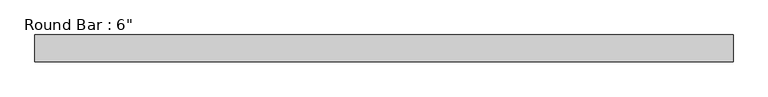
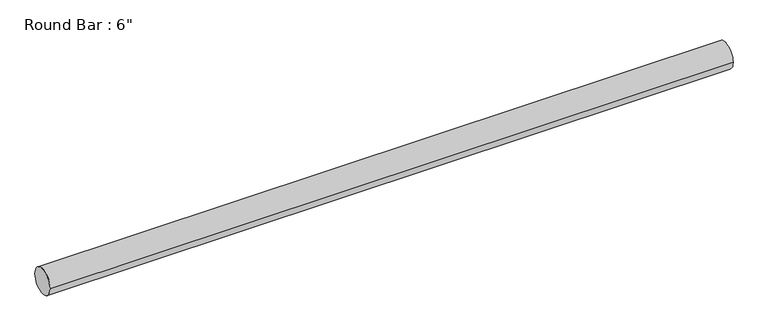
"""IFC4 building model written with IfcOpenShell, lengths in millimetres: beam geometry."""

from ifc_helpers import new_model, si_unit, point, frame, origin, origin_2d, place, context, project, spatial, circle_curve, trimmed, segment, composite_curve, outline, extrude, source, transform, mapped, element, save


def beam_bc718d6d(model_context):
    return source(origin(), model_context, "Body", "SweptSolid", [
        extrude(outline(composite_curve([segment(trimmed(circle_curve(origin_2d(), 76.2), [point((76.2, 0.0))], [point((-76.2, 0.0))], False, "CARTESIAN"), True, "CONTINUOUS"), segment(trimmed(circle_curve(origin_2d(), 76.2), [point((-76.2, 0.0))], [point((76.2, 0.0))], False, "CARTESIAN"), True, "CONTINUOUS")], self_intersect=False)), frame((-1995.192946, 0.0, 0.0), z_axis=(1.0, 0.0, 0.0), x_axis=(0.0, 1.0, 0.0)), (0.0, 0.0, 1.0), 3969.5212771),
    ])


if __name__ == "__main__":
    model = new_model("IFC4")
    model_context = context("Model", 3, world=origin())
    ifc_project = project(units=[si_unit("LENGTHUNIT", "METRE", prefix="MILLI")], contexts=[model_context])
    site = spatial("IfcSite", under=ifc_project)
    building = spatial("IfcBuilding", under=site)
    placement = place(None, origin())
    beam_shape = beam_bc718d6d(model_context)
    element("IfcBeam", 1, ObjectType="Round Bar : 6\"", at=placement, inside=building, context=model_context, shape_type="MappedRepresentation", body=[
        mapped(beam_shape, transform((0.0, 0.0, 0.0), x_axis=(1.0, 0.0, 0.0), y_axis=(0.0, 1.0, 0.0), z_axis=(0.0, 0.0, 1.0))),
    ])
    save(model, "model.ifc")
